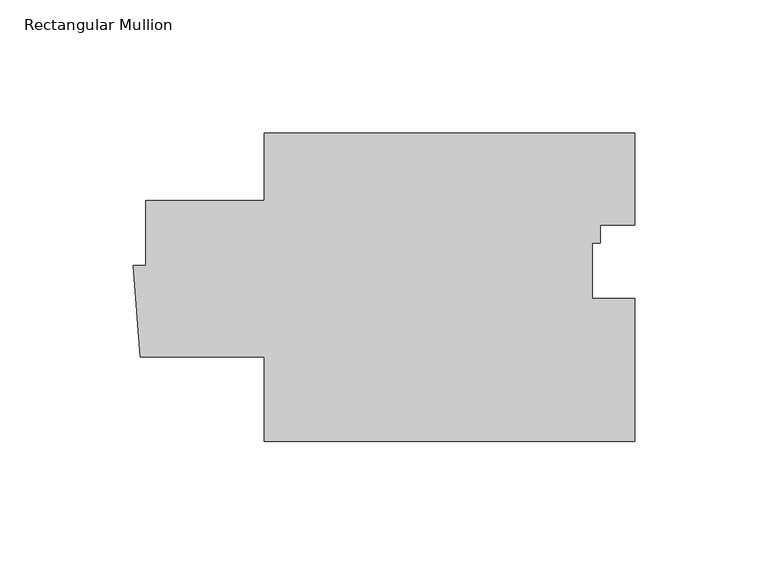
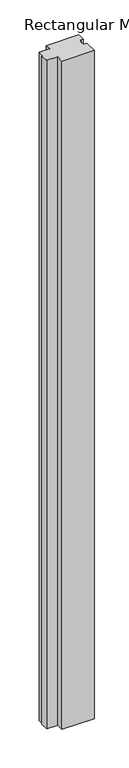
"""IFC4 building model written with IfcOpenShell, lengths in millimetres: member geometry, Rectangular Mullion."""

from ifc_helpers import new_model, si_unit, frame, origin, place, context, project, spatial, polyline, outline, extrude, source, transform, mapped, element, save


def rectangular_mullion_18d000d3(model_context):
    return source(origin(), model_context, "Body", "SweptSolid", [
        extrude(outline(polyline([(-139.1915475, 62.2958078), (0.0, 62.2957611), (0.0, 27.8046503), (-13.0437992, 27.8046503), (-13.0437992, 20.9466506), (-15.8984045, 20.9466506), (-15.8984045, 0.2124812), (0.0, 0.2124812), (0.0, -53.6150483), (-139.1915475, -53.6150483), (-139.1921939, -21.8650483), (-185.6521067, -21.8650483), (-188.3725337, 12.4258146), (-183.6415475, 12.4258146), (-183.6415475, 36.8958078), (-139.1915475, 36.8958078), (-139.1915475, 62.2958078)])), frame((0.0, 0.0, -3048.0), z_axis=(0.0, 0.0, 1.0), x_axis=(1.0, 0.0, 0.0)), (0.0, 0.0, 1.0), 3048.0),
    ])


if __name__ == "__main__":
    model = new_model("IFC4")
    model_context = context("Model", 3, world=origin())
    ifc_project = project(units=[si_unit("LENGTHUNIT", "METRE", prefix="MILLI")], contexts=[model_context])
    site = spatial("IfcSite", under=ifc_project)
    building = spatial("IfcBuilding", under=site)
    placement = place(None, origin())
    rectangular_mullion_shape = rectangular_mullion_18d000d3(model_context)
    element("IfcMember", 1, ObjectType="Rectangular Mullion", at=placement, inside=building, context=model_context, shape_type="MappedRepresentation", body=[
        mapped(rectangular_mullion_shape, transform((0.0, 0.0, 0.0), x_axis=(1.0, 0.0, 0.0), y_axis=(0.0, 1.0, 0.0), z_axis=(0.0, 0.0, 1.0))),
    ])
    save(model, "model.ifc")
